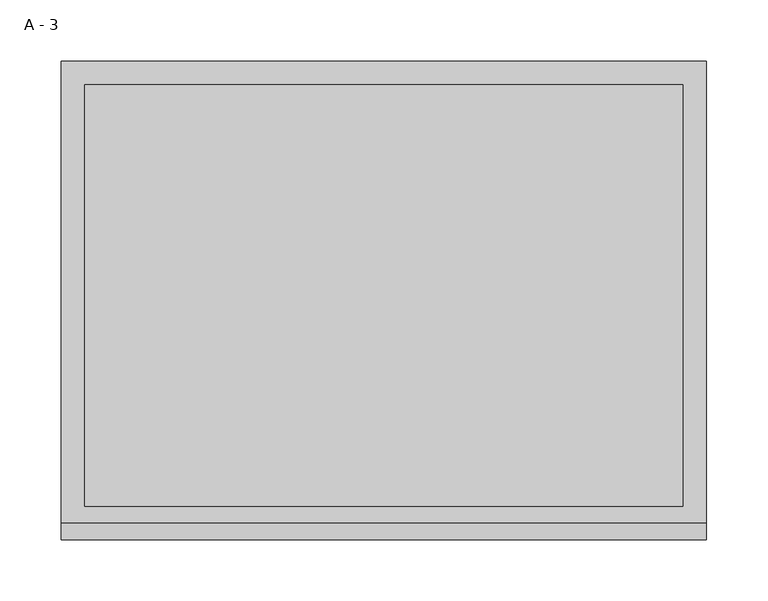
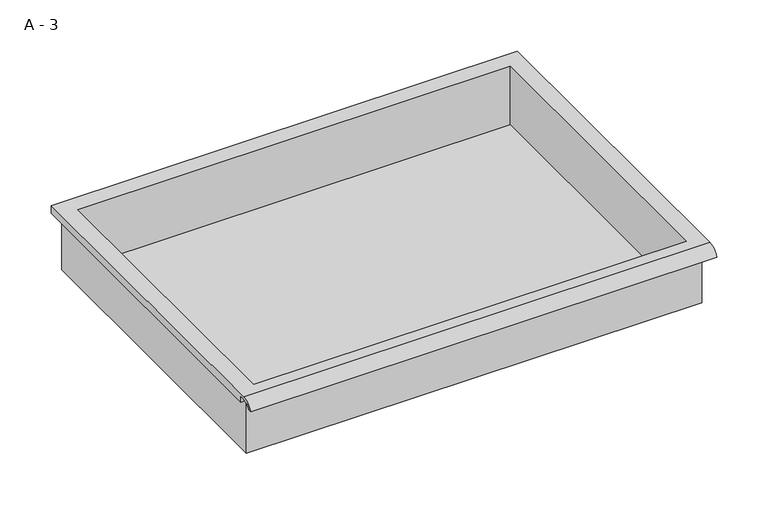
"""IFC4 building model written with IfcOpenShell, lengths in millimetres: furniture geometry, A - 3."""

from ifc_helpers import new_model, si_unit, frame, origin, place, context, project, spatial, polyline, circle_curve, source, transform, mapped, element, save
from ifc_brep_helpers import plane_surface, cylinder_surface, revolved_surface, advanced_brep


def a_3_b35f20b8(model_context):
    return source(origin(), model_context, "Body", "AdvancedBrep", [
        advanced_brep(
        [(-257.1076517, -176.2125, 977.8111), (257.2423483, -176.2125, 977.8111), (257.2423483, -176.2125, 1041.3111), (263.5923483, -176.2125, 1041.3111), (263.5923483, -176.2125, 1047.6182341), (-263.4576517, -176.2125, 1047.6182341), (-263.4576517, -176.2125, 1041.3111), (-257.1076517, -176.2125, 1041.3111), (257.2423483, 185.7375, 977.8111), (-257.1076517, 185.7375, 977.8111), (-257.1076517, 185.7375, 1041.3111), (257.2423483, 185.7375, 1041.3111), (263.5923483, -181.6070544, 1050.8361), (263.5923483, 195.2625, 1050.8361), (-263.4576517, 195.2625, 1050.8361), (-263.4576517, -181.6070544, 1050.8361), (244.5423483, -168.275, 1050.8361), (-244.4076517, -168.275, 1050.8361), (-244.4076517, 176.2125, 1050.8361), (244.5423483, 176.2125, 1050.8361), (263.5923483, -195.2625, 1041.3111), (263.5923483, -191.8280601, 1041.3111), (263.5923483, -180.4714815, 1047.6182341), (263.5923483, 195.2625, 1041.3111), (-263.4576517, 195.2625, 1041.3111), (-263.4576517, -180.4714815, 1047.6182341), (-263.4576517, -191.8280601, 1041.3111), (-263.4576517, -195.2625, 1041.3111), (-244.4076517, -168.275, 980.8372719), (244.5423483, -168.275, 980.8372719), (244.5423483, 176.2125, 980.8372719), (-244.4076517, 176.2125, 980.8372719)],
        [
            (0, 1),
            (1, 2),
            (2, 3),
            (3, 4),
            (4, 5),
            (5, 6),
            (6, 7),
            (7, 0),
            (8, 9),
            (9, 10),
            (10, 11),
            (11, 8),
            (0, 9),
            (8, 1),
            (11, 2),
            (12, 13),
            (13, 14),
            (14, 15),
            (15, 12),
            (16, 17),
            (17, 18),
            (18, 19),
            (19, 16),
            (7, 10),
            (12, 20, circle_curve(frame((263.5923483, -181.6070544, 1036.2850859), z_axis=(1.0, 0.0, 0.0), x_axis=(0.0, 1.0, 0.0)), 14.5510141)),
            (20, 21),
            (21, 22, circle_curve(frame((263.5923483, -181.6070544, 1036.2850859), z_axis=(-1.0, 0.0, 0.0), x_axis=(0.0, 1.0, 0.0)), 11.3898979)),
            (22, 4),
            (3, 23),
            (23, 13),
            (14, 24),
            (24, 6),
            (5, 25),
            (25, 26, circle_curve(frame((-263.4576517, -181.6070544, 1036.2850859), z_axis=(1.0, 0.0, 0.0), x_axis=(0.0, 1.0, 0.0)), 11.3898979)),
            (26, 27),
            (27, 15, circle_curve(frame((-263.4576517, -181.6070544, 1036.2850859), z_axis=(-1.0, 0.0, 0.0), x_axis=(0.0, 1.0, 0.0)), 14.5510141)),
            (27, 20),
            (26, 21),
            (25, 22),
            (24, 23),
            (28, 29),
            (29, 30),
            (30, 31),
            (31, 28),
            (28, 17),
            (16, 29),
            (19, 30),
            (18, 31),
        ],
        [
            plane_surface(frame((257.2423483, -176.2125, 977.8111), z_axis=(0.0, -1.0, 0.0), x_axis=(1.0, 0.0, 0.0))),
            plane_surface(frame((257.2423483, 185.7375, 977.8111), z_axis=(0.0, 1.0, 0.0), x_axis=(-1.0, 0.0, 0.0))),
            plane_surface(frame((-257.1076517, -176.2125, 977.8111), z_axis=(0.0, 0.0, -1.0), x_axis=(0.0, 1.0, 0.0))),
            plane_surface(frame((257.2423483, -176.2125, 977.8111), z_axis=(1.0, 0.0, 0.0), x_axis=(0.0, 1.0, 0.0))),
            plane_surface(frame((257.2423483, -176.2125, 1050.8361), z_axis=(0.0, 0.0, 1.0), x_axis=(0.0, 1.0, 0.0))),
            plane_surface(frame((-257.1076517, -176.2125, 1050.8361), z_axis=(-1.0, 0.0, 0.0), x_axis=(0.0, 1.0, 0.0))),
            plane_surface(frame((263.5923483, 195.2625, 1050.8361), z_axis=(1.0, 0.0, 0.0), x_axis=(0.0, -1.0, 0.0))),
            plane_surface(frame((-263.4576517, 195.2625, 1050.8361), z_axis=(-1.0, 0.0, 0.0), x_axis=(0.0, 1.0, 0.0))),
            cylinder_surface(frame((-263.4576517, -181.6070544, 1036.2850859), z_axis=(1.0, 0.0, 0.0), x_axis=(0.0, 1.0, 0.0)), 14.5510141),
            plane_surface(frame((263.5923483, -195.2625, 1041.3111), z_axis=(0.0, -7.133584965255536e-12, -1.0), x_axis=(-1.0, 0.0, 0.0))),
            revolved_surface(polyline([(-263.4576517, -170.21715650000002, 1036.2850859), (263.59234829999997, -170.21715650000002, 1036.2850859)]), (-263.4576517, -181.6070544, 1036.2850859), (-1.0, 0.0, 0.0)),
            plane_surface(frame((263.5923483, -180.4714815, 1047.6182341), z_axis=(0.0, -1.763893718259558e-11, -1.0), x_axis=(-1.0, 0.0, 0.0))),
            plane_surface(frame((263.5923483, -176.2125, 1041.3111), z_axis=(0.0, 0.0, -1.0), x_axis=(-1.0, 0.0, 0.0))),
            plane_surface(frame((263.5923483, 195.2625, 1041.3111), z_axis=(0.0, 1.0, 0.0), x_axis=(-1.0, 0.0, 0.0))),
            plane_surface(frame((244.5423483, -168.275, 980.8372719), z_axis=(0.0, 0.0, 1.0), x_axis=(-1.0, 0.0, 0.0))),
            plane_surface(frame((-244.4076517, -168.275, 1050.8361), z_axis=(0.0, 1.0, 0.0), x_axis=(0.0, 0.0, -1.0))),
            plane_surface(frame((244.5423483, -168.275, 1050.8361), z_axis=(-1.0, 0.0, 0.0), x_axis=(0.0, 0.0, -1.0))),
            plane_surface(frame((244.5423483, 176.2125, 1050.8361), z_axis=(0.0, -1.0, 0.0), x_axis=(0.0, 0.0, -1.0))),
            plane_surface(frame((-244.4076517, 176.2125, 1050.8361), z_axis=(1.0, 0.0, 0.0), x_axis=(0.0, 0.0, -1.0))),
        ],
        [
            (0, [[1, 2, 3, 4, 5, 6, 7, 8]]),
            (1, [[9, 10, 11, 12]]),
            (2, [[-1, 13, -9, 14]]),
            (3, [[-14, -12, 15, -2]]),
            (4, [[16, 17, 18, 19], [20, 21, 22, 23]]),
            (5, [[-13, -8, 24, -10]]),
            (6, [[-16, 25, 26, 27, 28, -4, 29, 30]]),
            (7, [[31, 32, -6, 33, 34, 35, 36, -18]]),
            (8, [[-25, -19, -36, 37]]),
            (9, [[-26, -37, -35, 38]]),
            (10, [[-27, -38, -34, 39]]),
            (11, [[-28, -39, -33, -5]]),
            (12, [[-29, -3, -15, -11, -24, -7, -32, 40]]),
            (13, [[-30, -40, -31, -17]]),
            (14, [[41, 42, 43, 44]]),
            (15, [[-41, 45, -20, 46]]),
            (16, [[-42, -46, -23, 47]]),
            (17, [[-43, -47, -22, 48]]),
            (18, [[-44, -48, -21, -45]]),
        ],
    ),
    ])


if __name__ == "__main__":
    model = new_model("IFC4")
    model_context = context("Model", 3, world=origin())
    ifc_project = project(units=[si_unit("LENGTHUNIT", "METRE", prefix="MILLI")], contexts=[model_context])
    site = spatial("IfcSite", under=ifc_project)
    building = spatial("IfcBuilding", under=site)
    placement = place(None, origin())
    a_3_shape = a_3_b35f20b8(model_context)
    element("IfcFurniture", 1, ObjectType="A - 3", at=placement, inside=building, context=model_context, shape_type="MappedRepresentation", body=[
        mapped(a_3_shape, transform((0.0, 0.0, 0.0), x_axis=(1.0, 0.0, 0.0), y_axis=(0.0, 1.0, 0.0), z_axis=(0.0, 0.0, 1.0))),
    ])
    save(model, "model.ifc")
